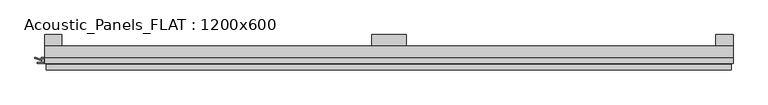
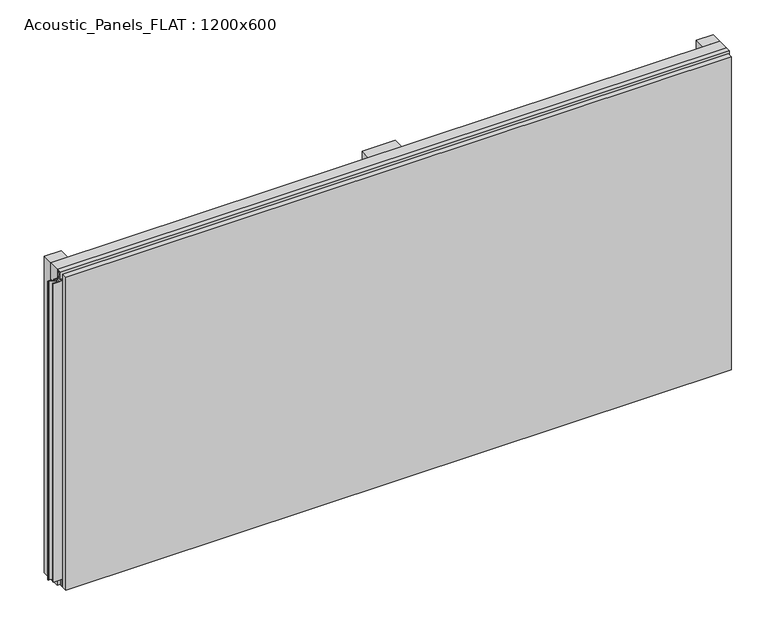
"""IFC4 building model written with IfcOpenShell, lengths in millimetres: plate geometry, Acoustic_Panels_FLAT : 1200x600."""

from ifc_helpers import new_model, si_unit, frame, origin, origin_with_axes, place, context, project, spatial, polyline, outline, extrude, faceted_brep, source, transform, mapped, element, save


def acoustic_panels_flat_1200x600_ce881b50(model_context):
    return source(origin(), model_context, "Body", "SolidModel", [
        extrude(outline(polyline([(-600.0, -40.0), (-600.0, -20.0), (600.0, -20.0), (600.0, -40.0), (-600.0, -40.0)])), frame((0.0, 0.0, 570.0), z_axis=(0.0, 0.0, 1.0), x_axis=(1.0, 0.0, 0.0)), (0.0, 0.0, 1.0), 30.0),
        extrude(outline(polyline([(-600.0, -40.0), (-600.0, -20.0), (600.0, -20.0), (600.0, -40.0), (-600.0, -40.0)])), origin_with_axes(), (0.0, 0.0, 1.0), 30.0),
        extrude(outline(polyline([(570.0, 0.0), (600.0, 0.0), (600.0, -20.0), (570.0, -20.0), (570.0, 0.0)])), origin_with_axes(), (0.0, 0.0, 1.0), 600.0),
        extrude(outline(polyline([(30.0, 0.0), (30.0, -20.0), (-30.0, -20.0), (-30.0, 0.0), (30.0, 0.0)])), origin_with_axes(), (0.0, 0.0, 1.0), 600.0),
        extrude(outline(polyline([(-570.0, 0.0), (-570.0, -20.0), (-600.0, -20.0), (-600.0, 0.0), (-570.0, 0.0)])), origin_with_axes(), (0.0, 0.0, 1.0), 600.0),
        extrude(outline(polyline([(-40.0, 593.700916), (-43.5, 593.700916), (-40.0553267, 584.6441401), (-40.0553267, 577.008452), (-41.4553267, 577.008452), (-41.4553267, 584.4296606), (-45.5140545, 595.100916), (-41.4, 595.100916), (-41.4, 598.5843193), (-48.7, 598.5843193), (-48.7, 586.5843193), (-50.1, 586.5843193), (-50.1, 600.0), (-40.0, 600.0), (-40.0, 593.700916)])), frame((-600.0, 0.0, 0.0), z_axis=(1.0, 0.0, 0.0), x_axis=(0.0, 1.0, 0.0)), (0.0, 0.0, 1.0), 1200.0),
        extrude(outline(polyline([(-600.899084, -48.7), (-600.899084, -41.4), (-604.899084, -41.4), (-604.899084, -45.5140545), (-615.5703394, -41.4553267), (-616.9558599, -41.4553267), (-616.9558599, -40.0553267), (-615.3558599, -40.0553267), (-606.299084, -43.5), (-606.299084, -40.0), (-593.700916, -40.0), (-593.700916, -43.5), (-584.6441401, -40.0553267), (-583.0441401, -40.0553267), (-583.0441401, -41.4553267), (-584.4296606, -41.4553267), (-595.100916, -45.5140545), (-595.100916, -41.4), (-599.100916, -41.4), (-599.100916, -48.7), (-587.100916, -48.7), (-587.100916, -50.1), (-612.899084, -50.1), (-612.899084, -48.7), (-600.899084, -48.7)])), frame((0.0, 0.0, 16.9558599), z_axis=(0.0, 0.0, 1.0), x_axis=(1.0, 0.0, 0.0)), (0.0, 0.0, 1.0), 566.0882802),
        faceted_brep([(597.0, -45.9, 597.0), (-597.0, -45.9, 597.0), (-597.0, -48.7, 597.0), (597.0, -48.7, 597.0), (-597.0, -61.9, 597.0), (597.0, -61.9, 597.0), (597.0, -51.9, 597.0), (-597.0, -51.9, 597.0), (-597.0, -45.9, 3.0), (597.0, -45.9, 3.0), (597.0, -48.7, 3.0), (-597.0, -48.7, 3.0), (597.0, -61.9, 3.0), (-597.0, -61.9, 3.0), (-597.0, -51.9, 3.0), (597.0, -51.9, 3.0), (585.0, -51.9, 585.0), (585.0, -51.9, 15.0), (585.0, -48.7, 15.0), (585.0, -48.7, 585.0), (-585.0, -51.9, 15.0), (-585.0, -48.7, 15.0), (-585.0, -51.9, 585.0), (-585.0, -48.7, 585.0)], [[[0, 1, 2, 3]], [[4, 5, 6, 7]], [[8, 9, 10, 11]], [[12, 13, 14, 15]], [[1, 0, 9, 8]], [[1, 8, 11, 2]], [[13, 4, 7, 14]], [[5, 4, 13, 12]], [[9, 0, 3, 10]], [[5, 12, 15, 6]], [[16, 17, 18, 19]], [[18, 17, 20, 21]], [[21, 20, 22, 23]], [[16, 19, 23, 22]], [[7, 6, 15, 14], [17, 16, 22, 20]], [[3, 2, 11, 10], [19, 18, 21, 23]]]),
    ])


if __name__ == "__main__":
    model = new_model("IFC4")
    model_context = context("Model", 3, world=origin())
    ifc_project = project(units=[si_unit("LENGTHUNIT", "METRE", prefix="MILLI")], contexts=[model_context])
    site = spatial("IfcSite", under=ifc_project)
    building = spatial("IfcBuilding", under=site)
    placement = place(None, origin())
    acoustic_panels_flat_1200x600_shape = acoustic_panels_flat_1200x600_ce881b50(model_context)
    element("IfcPlate", 1, ObjectType="Acoustic_Panels_FLAT : 1200x600", at=placement, inside=building, context=model_context, shape_type="MappedRepresentation", body=[
        mapped(acoustic_panels_flat_1200x600_shape, transform((0.0, 0.0, 0.0), x_axis=(1.0, 0.0, 0.0), y_axis=(0.0, 1.0, 0.0), z_axis=(0.0, 0.0, 1.0))),
    ])
    save(model, "model.ifc")
